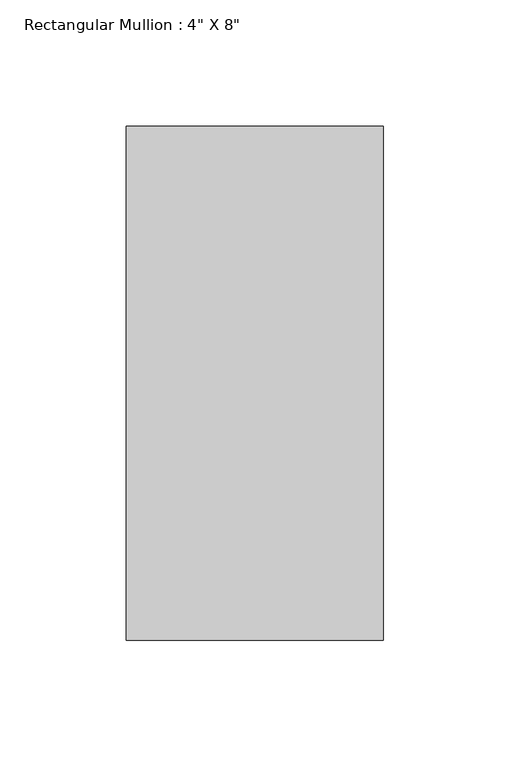
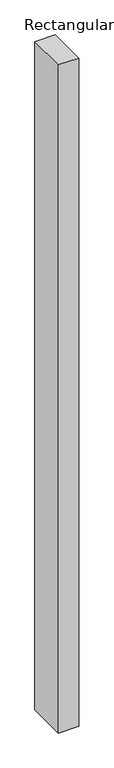
"""IFC4 building model written with IfcOpenShell, lengths in millimetres: member geometry."""

from ifc_helpers import new_model, si_unit, frame, origin, place, context, project, spatial, polyline, outline, extrude, source, transform, mapped, element, save


def member_7d7996f8(model_context):
    return source(origin(), model_context, "Body", "SweptSolid", [
        extrude(outline(polyline([(50.8, 63.5), (50.8, -139.7), (-50.8, -139.7), (-50.8, 63.5), (50.8, 63.5)])), frame((0.0, 0.0, -3530.6), z_axis=(0.0, 0.0, 1.0), x_axis=(1.0, 0.0, 0.0)), (0.0, 0.0, 1.0), 3530.6),
    ])


if __name__ == "__main__":
    model = new_model("IFC4")
    model_context = context("Model", 3, world=origin())
    ifc_project = project(units=[si_unit("LENGTHUNIT", "METRE", prefix="MILLI")], contexts=[model_context])
    site = spatial("IfcSite", under=ifc_project)
    building = spatial("IfcBuilding", under=site)
    placement = place(None, origin())
    member_shape = member_7d7996f8(model_context)
    element("IfcMember", 1, ObjectType="Rectangular Mullion : 4\" X 8\"", at=placement, inside=building, context=model_context, shape_type="MappedRepresentation", body=[
        mapped(member_shape, transform((0.0, 0.0, 0.0), x_axis=(1.0, 0.0, 0.0), y_axis=(0.0, 1.0, 0.0), z_axis=(0.0, 0.0, 1.0))),
    ])
    save(model, "model.ifc")
